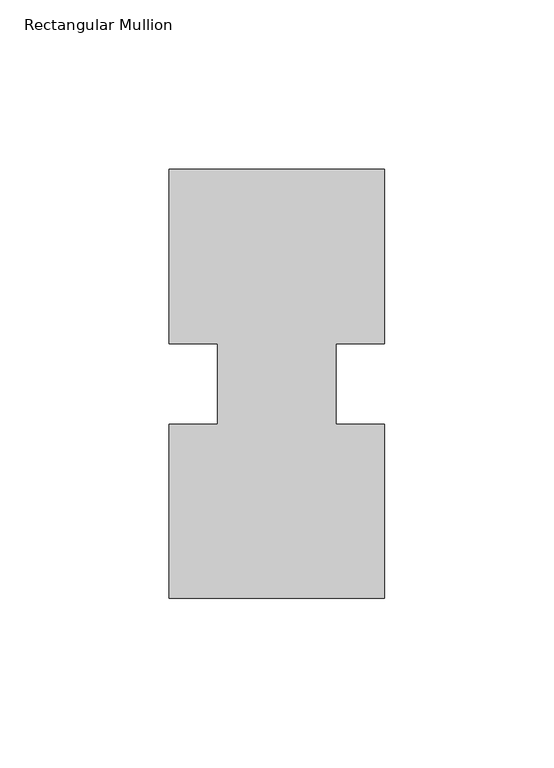
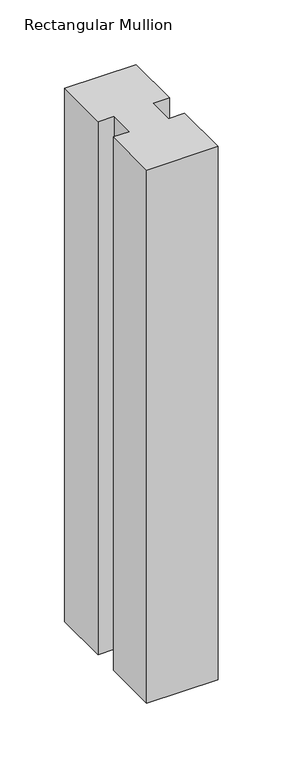
"""IFC4 building model written with IfcOpenShell, lengths in millimetres: member geometry, Rectangular Mullion."""

from ifc_helpers import new_model, si_unit, frame, origin, place, context, project, spatial, polyline, outline, extrude, source, transform, mapped, element, save


def rectangular_mullion_e4e73a26(model_context):
    return source(origin(), model_context, "Body", "SweptSolid", [
        extrude(outline(polyline([(-63.5, 0.26035), (-63.5, 51.60645), (-49.2125, 51.60645), (-49.2125, 75.40625), (-63.5, 75.40625), (-63.5, 126.75235), (0.0, 126.75235), (0.0, 75.40625), (-14.2748, 75.40625), (-14.2748, 51.60645), (0.0, 51.60645), (0.0, 0.26035), (-63.5, 0.26035)])), frame((0.0, 0.0, -501.65), z_axis=(0.0, 0.0, 1.0), x_axis=(1.0, 0.0, 0.0)), (0.0, 0.0, 1.0), 501.65),
    ])


if __name__ == "__main__":
    model = new_model("IFC4")
    model_context = context("Model", 3, world=origin())
    ifc_project = project(units=[si_unit("LENGTHUNIT", "METRE", prefix="MILLI")], contexts=[model_context])
    site = spatial("IfcSite", under=ifc_project)
    building = spatial("IfcBuilding", under=site)
    placement = place(None, origin())
    rectangular_mullion_shape = rectangular_mullion_e4e73a26(model_context)
    element("IfcMember", 1, ObjectType="Rectangular Mullion", at=placement, inside=building, context=model_context, shape_type="MappedRepresentation", body=[
        mapped(rectangular_mullion_shape, transform((0.0, 0.0, 0.0), x_axis=(1.0, 0.0, 0.0), y_axis=(0.0, 1.0, 0.0), z_axis=(0.0, 0.0, 1.0))),
    ])
    save(model, "model.ifc")
